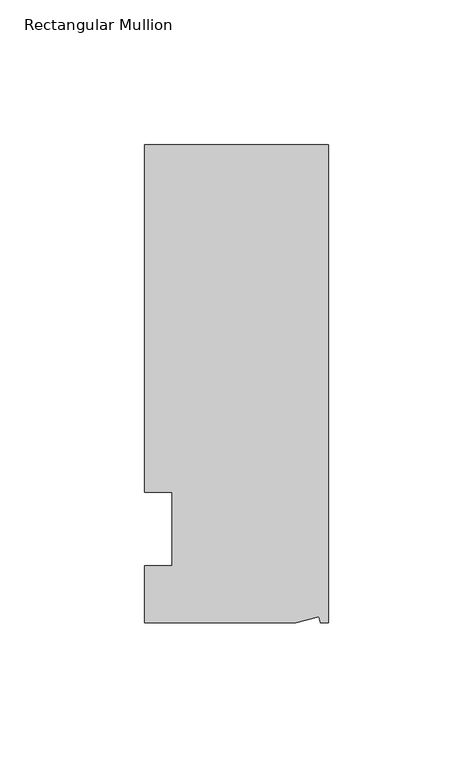
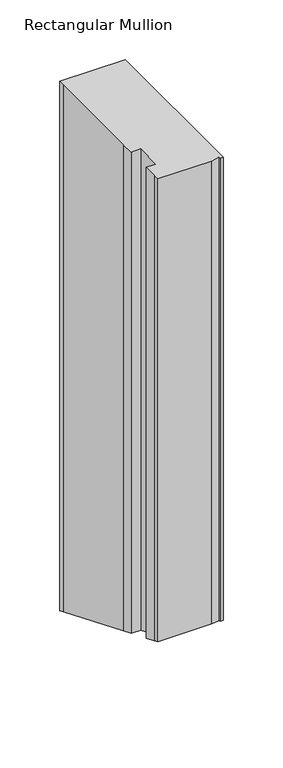
"""IFC4 building model written with IfcOpenShell, lengths in millimetres: member geometry, Rectangular Mullion."""

from ifc_helpers import new_model, si_unit, origin, place, context, project, spatial, faceted_brep, source, transform, mapped, element, save


def rectangular_mullion_7425ddc9(model_context):
    return source(origin(), model_context, "Body", "Brep", [
        faceted_brep([(-3.3457217, -17.5748952, 0.0), (-11.1265412, -19.6597595, 0.0), (-11.1265412, -19.6597595, -474.456661), (-3.3457217, -17.5748952, -475.3202401), (-2.787084, -19.6597595, 0.0), (-2.787084, -19.6597595, -474.456661), (0.0, -19.6597595, 0.0), (0.0, -19.6597595, -474.456661), (0.0, 145.4402405, 0.0), (0.0, 145.4402405, -542.8433201), (-63.5, 145.4402405, 0.0), (-63.5, 145.4402405, -542.8433201), (-63.5, 139.0912527, 0.0), (-63.5, 139.0912527, -540.2134833), (-63.5, 38.3358837, 0.0), (-63.5, 38.3358837, -498.4792429), (-53.975, 25.4, 0.0), (-63.5, 25.4, 0.0), (-63.5, 25.4, -493.1210245), (-53.975, 25.4, -493.1210245), (-53.975, 0.0, 0.0), (-53.975, 0.0, -482.6), (-63.5, 0.0, 0.0), (-63.5, 0.0, -482.6), (-63.5, -13.6146679, 0.0), (-63.5, -13.6146679, -476.9606199), (-63.5, -19.6597595, 0.0), (-63.5, -19.6597595, -474.456661)], [[[0, 1, 2, 3]], [[4, 0, 3, 5]], [[6, 4, 5, 7]], [[8, 6, 7, 9]], [[10, 8, 9, 11]], [[12, 10, 11, 13]], [[14, 12, 13, 15]], [[16, 17, 18, 19]], [[20, 16, 19, 21]], [[22, 20, 21, 23]], [[24, 22, 23, 25]], [[1, 26, 27, 2]], [[1, 0, 4, 6, 8, 10, 12, 14, 17, 16, 20, 22, 24, 26]], [[2, 27, 25, 23, 21, 19, 18, 15, 13, 11, 9, 7, 5, 3]], [[17, 14, 15, 18]], [[26, 24, 25, 27]]]),
    ])


if __name__ == "__main__":
    model = new_model("IFC4")
    model_context = context("Model", 3, world=origin())
    ifc_project = project(units=[si_unit("LENGTHUNIT", "METRE", prefix="MILLI")], contexts=[model_context])
    site = spatial("IfcSite", under=ifc_project)
    building = spatial("IfcBuilding", under=site)
    placement = place(None, origin())
    rectangular_mullion_shape = rectangular_mullion_7425ddc9(model_context)
    element("IfcMember", 1, ObjectType="Rectangular Mullion", at=placement, inside=building, context=model_context, shape_type="MappedRepresentation", body=[
        mapped(rectangular_mullion_shape, transform((0.0, 0.0, 0.0), x_axis=(1.0, 0.0, 0.0), y_axis=(0.0, 1.0, 0.0), z_axis=(0.0, 0.0, 1.0))),
    ])
    save(model, "model.ifc")
